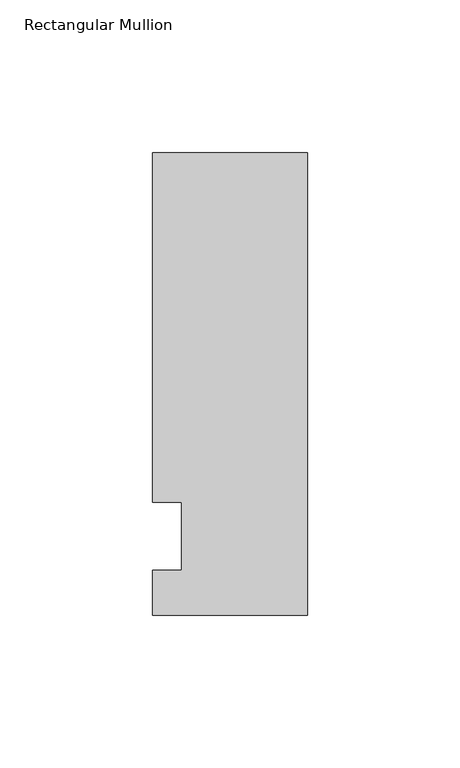
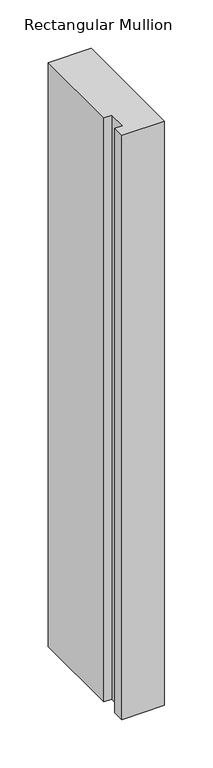
"""IFC4 building model written with IfcOpenShell, lengths in millimetres: member geometry, Rectangular Mullion."""

from ifc_helpers import new_model, si_unit, frame, origin, place, context, project, spatial, polyline, outline, extrude, source, transform, mapped, element, save


def rectangular_mullion_be24057b(model_context):
    return source(origin(), model_context, "Body", "SweptSolid", [
        extrude(outline(polyline([(-50.8, -25.7961253), (-50.8, -11.1125), (-41.275, -11.1125), (-41.275, 11.1125), (-50.8, 11.1125), (-50.8, 125.8036906), (0.0, 125.8036906), (0.0, -25.7961253), (-50.8, -25.7961253)])), frame((0.0, 0.0, -736.6), z_axis=(0.0, 0.0, 1.0), x_axis=(1.0, 0.0, 0.0)), (0.0, 0.0, 1.0), 736.6),
    ])


if __name__ == "__main__":
    model = new_model("IFC4")
    model_context = context("Model", 3, world=origin())
    ifc_project = project(units=[si_unit("LENGTHUNIT", "METRE", prefix="MILLI")], contexts=[model_context])
    site = spatial("IfcSite", under=ifc_project)
    building = spatial("IfcBuilding", under=site)
    placement = place(None, origin())
    rectangular_mullion_shape = rectangular_mullion_be24057b(model_context)
    element("IfcMember", 1, ObjectType="Rectangular Mullion", at=placement, inside=building, context=model_context, shape_type="MappedRepresentation", body=[
        mapped(rectangular_mullion_shape, transform((0.0, 0.0, 0.0), x_axis=(1.0, 0.0, 0.0), y_axis=(0.0, 1.0, 0.0), z_axis=(0.0, 0.0, 1.0))),
    ])
    save(model, "model.ifc")
